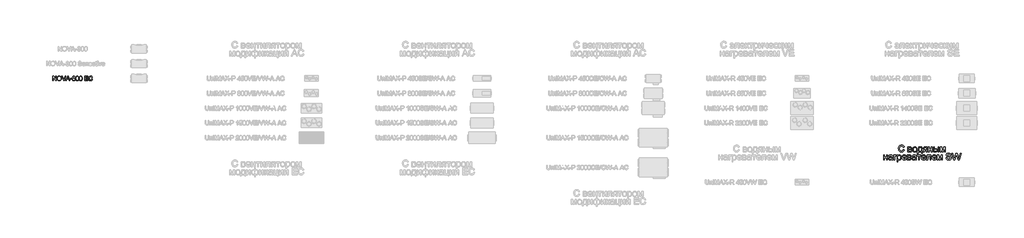
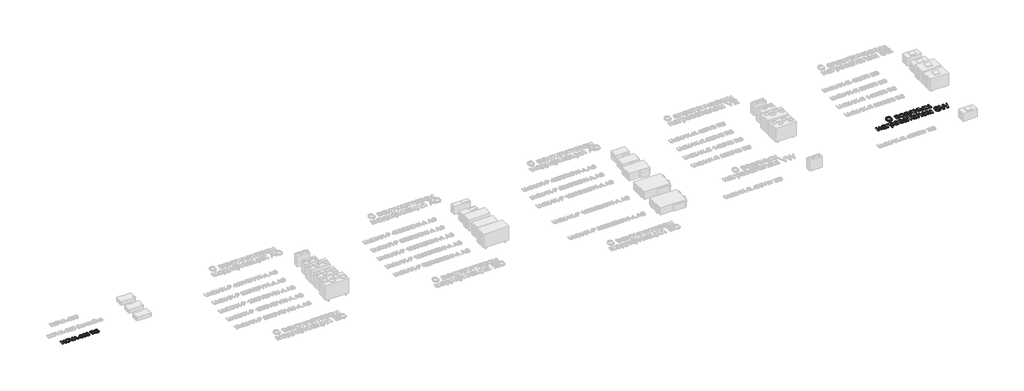
# One storey, part 15 of 74: 2 proxies.
"""IFC4 building model written with IfcOpenShell, lengths in millimetres."""

from ifc_helpers import new_model, si_unit, origin, origin_with_axes, place, context, project, spatial, polyline, outline, extrude, element, save

model = new_model("IFC4")

# Units and contexts
model_context = context("Model", 3, world=origin())
ifc_project = project(units=[si_unit("LENGTHUNIT", "METRE", prefix="MILLI")], contexts=[model_context])

# Site, building, storey
site = spatial("IfcSite", under=ifc_project)
building = spatial("IfcBuilding", under=site)
storey = spatial("IfcBuildingStorey", under=building, Elevation=0.0)

# Proxies
placement = place(None, origin())
element("IfcBuildingElementProxy", 1, Name="Generic Models", at=placement, inside=storey, context=model_context, shape_type="SweptSolid", body=[
    extrude(outline(polyline([(1084.8107049, -28033.3217608), (1084.8107049, -27731.9528304), (1125.1305716, -27731.9528304), (1282.5840655, -27970.7082452), (1282.5840655, -27731.9528304), (1320.2551818, -27731.9528304), (1320.2551818, -28033.3217608), (1279.9353151, -28033.3217608), (1122.4818212, -27794.4927695), (1122.4818212, -28033.3217608), (1084.8107049, -28033.3217608)])), origin_with_axes(), (0.0, 0.0, 1.0), 50.0),
    extrude(outline(polyline([(1372.0529667, -27886.6104211), (1374.5637613, -27851.2615599), (1382.0961452, -27819.9685977), (1394.6501183, -27792.7315345), (1412.2256806, -27769.5503703), (1433.7697699, -27751.0413074), (1458.2293241, -27737.8205482), (1485.6043431, -27729.8880927), (1515.8948268, -27727.2439408), (1555.4237472, -27732.2103477), (1590.8691775, -27747.1095686), (1620.2997371, -27770.8931395), (1641.7840456, -27802.512597), (1654.9174328, -27840.4412307), (1659.2952286, -27883.1523304), (1654.6875066, -27926.4336471), (1640.8643406, -27964.8957097), (1618.5890858, -27996.5703495), (1588.6250973, -28019.4893978), (1553.4831697, -28033.3953372), (1515.6740976, -28038.0306503), (1475.538172, -28032.9078936), (1439.8904066, -28017.5396232), (1410.5334234, -27993.3145938), (1389.2698441, -27961.6215599), (1376.3571861, -27925.1552572), (1372.0529667, -27886.6104211)]), holes=[polyline([(1409.724083, -27886.9783031), (1411.607179, -27911.9528921), (1417.2564669, -27934.1223808), (1426.6719467, -27953.4867693), (1439.8536184, -27970.0460576), (1455.8771786, -27983.3082036), (1473.8183236, -27992.7811649), (1493.6770536, -27998.4649418), (1515.4533684, -28000.359534), (1537.6021638, -27998.4465477), (1557.6954185, -27992.7075885), (1575.7331326, -27983.1426567), (1591.715306, -27969.751752), (1604.8004088, -27952.8429758), (1614.1469107, -27932.7244292), (1619.7548119, -27909.3961122), (1621.6241122, -27882.8580248), (1618.4235389, -27849.5095219), (1608.8218188, -27820.6859676), (1593.0672724, -27797.1139287), (1571.4082199, -27779.5199723), (1545.2794012, -27768.5662859), (1516.115556, -27764.9150571), (1495.0956985, -27766.6739929), (1475.5933543, -27771.9508003), (1457.6085232, -27780.7454792), (1441.1412054, -27793.0580298), (1427.3962144, -27809.4816616), (1417.5783636, -27830.6095844), (1411.6876532, -27856.4417983), (1409.724083, -27886.9783031)])]), origin_with_axes(), (0.0, 0.0, 1.0), 50.0),
    extrude(outline(polyline([(1800.1204563, -28033.3217608), (1680.1909259, -27731.9528304), (1720.5107926, -27731.9528304), (1800.7826439, -27949.0767839), (1817.0430281, -27998.0050893), (1833.0826831, -27949.0767839), (1913.5752636, -27731.9528304), (1953.8951303, -27731.9528304), (1839.0423714, -28033.3217608), (1800.1204563, -28033.3217608)])), origin_with_axes(), (0.0, 0.0, 1.0), 50.0),
    extrude(outline(polyline([(1953.8215539, -28033.3217608), (2074.1189663, -27731.9528304), (2106.1982763, -27731.9528304), (2226.4956887, -28033.3217608), (2186.6908568, -28033.3217608), (2152.1835257, -27939.14397), (2028.0601405, -27939.14397), (1993.6263858, -28033.3217608), (1953.8215539, -28033.3217608)]), holes=[polyline([(2041.8925035, -27901.4728537), (2138.4247391, -27901.4728537), (2111.2750478, -27827.3814199), (2090.1586213, -27769.6239467), (2071.3966396, -27820.9066968), (2041.8925035, -27901.4728537)])]), origin_with_axes(), (0.0, 0.0, 1.0), 50.0),
    extrude(outline(polyline([(2243.1975313, -27943.8528596), (2243.1975313, -27906.1817433), (2360.9197698, -27906.1817433), (2360.9197698, -27943.8528596), (2243.1975313, -27943.8528596)])), origin_with_axes(), (0.0, 0.0, 1.0), 50.0),
    extrude(outline(polyline([(2586.9464676, -27812.0039525), (2549.2753513, -27816.712842), (2543.2052984, -27798.0428308), (2535.0015299, -27785.2957197), (2517.9134112, -27773.5418899), (2497.2568372, -27769.6239467), (2479.7456542, -27771.904815), (2463.2645408, -27778.7474201), (2449.110281, -27793.1591973), (2437.5495893, -27812.9972339), (2429.741294, -27841.0574331), (2426.8442233, -27880.135698), (2441.9549762, -27862.5049534), (2460.0639675, -27850.079739), (2480.1595214, -27842.7129021), (2501.2299627, -27840.2572897), (2519.3297569, -27841.9357513), (2536.0315995, -27846.9711361), (2551.3354905, -27855.3634442), (2565.2414299, -27867.1126754), (2576.797523, -27881.519854), (2585.0518753, -27897.8860043), (2590.0044867, -27916.2111262), (2591.6553571, -27936.4952197), (2588.5467543, -27963.470167), (2579.2209457, -27988.4769456), (2564.4504836, -28009.6853426), (2545.0079201, -28025.2651451), (2521.7761721, -28034.839274), (2495.6381564, -28038.0306503), (2473.1812598, -28035.9153289), (2452.8994656, -28029.5693645), (2434.7927736, -28018.9927571), (2418.861184, -28004.1855068), (2405.8726503, -27984.5222141), (2396.5951262, -27959.3774798), (2391.0286118, -27928.7513037), (2389.173107, -27892.6436858), (2391.2332462, -27852.1628708), (2397.4136637, -27817.6141529), (2407.7143595, -27788.9975322), (2422.1353338, -27766.3130087), (2437.76572, -27751.2804307), (2455.8885068, -27740.5428749), (2476.5036941, -27734.1003415), (2499.6112819, -27731.9528304), (2532.6654792, -27737.2687252), (2559.1345888, -27753.2164097), (2577.6758413, -27778.545085), (2586.9464676, -27812.0039525)]), holes=[polyline([(2426.8442233, -27935.9066085), (2429.0239241, -27952.599254), (2435.5630266, -27968.5377415), (2445.7165696, -27982.2413458), (2458.7395923, -27992.2293419), (2474.4573505, -27998.326986), (2492.6951004, -28000.359534), (2517.5547263, -27996.1472852), (2537.0984572, -27983.5105387), (2549.7627949, -27963.6449109), (2553.9842408, -27937.7460185), (2549.8179772, -27912.8863926), (2537.3191864, -27893.9312728), (2517.4443617, -27881.9291227), (2491.149996, -27877.928406), (2466.3271584, -27881.9291227), (2445.5694168, -27893.9312728), (2431.5255217, -27912.4265401), (2426.8442233, -27935.9066085)])]), origin_with_axes(), (0.0, 0.0, 1.0), 50.0),
    extrude(outline(polyline([(2624.6175839, -27885.0653167), (2627.3858959, -27836.8267901), (2635.690832, -27798.3555305), (2649.4496186, -27769.0629266), (2668.5794823, -27748.3603673), (2693.2183789, -27736.0547146), (2723.5042642, -27731.9528304), (2746.7176181, -27734.3808515), (2767.5029508, -27741.664915), (2784.8853751, -27753.5199123), (2797.8900036, -27769.6607349), (2807.7124529, -27789.9494269), (2815.5483394, -27814.2480327), (2820.6802932, -27845.104135), (2822.3909445, -27885.0653167), (2819.6502236, -27933.0279319), (2811.428061, -27971.407221), (2797.7520479, -28000.727416), (2778.6497753, -28021.5127488), (2753.9556964, -28033.9011749), (2723.5042642, -28038.0306503), (2702.7557197, -28036.2372256), (2684.3616199, -28030.8569514), (2668.3219649, -28021.8898278), (2654.6367547, -28009.3358547), (2641.5033675, -27986.6421341), (2632.1223766, -27958.3658043), (2626.4937821, -27924.5068652), (2624.6175839, -27885.0653167)]), holes=[polyline([(2662.2887002, -27884.9917403), (2666.7032841, -27944.2483327), (2672.2215141, -27964.5163314), (2679.947036, -27978.5441317), (2699.6655109, -27994.9056835), (2723.5042642, -28000.359534), (2747.3430175, -27994.8872894), (2767.0614924, -27978.4705553), (2774.7870143, -27964.4197624), (2780.3052443, -27944.1563622), (2784.7198282, -27884.9917403), (2780.4523971, -27827.0687202), (2775.1181081, -27806.8674001), (2767.6501036, -27792.5062068), (2747.9684169, -27775.3445117), (2723.0628058, -27769.6239467), (2699.4815699, -27774.66393), (2680.5356472, -27789.78388), (2672.5526079, -27805.4188648), (2666.8504369, -27826.4985031), (2662.2887002, -27884.9917403)])]), origin_with_axes(), (0.0, 0.0, 1.0), 50.0),
    extrude(outline(polyline([(2855.3531713, -27885.0653167), (2858.1214833, -27836.8267901), (2866.4264193, -27798.3555305), (2880.1852059, -27769.0629266), (2899.3150697, -27748.3603673), (2923.9539663, -27736.0547146), (2954.2398516, -27731.9528304), (2977.4532055, -27734.3808515), (2998.2385382, -27741.664915), (3015.6209625, -27753.5199123), (3028.625591, -27769.6607349), (3038.4480403, -27789.9494269), (3046.2839268, -27814.2480327), (3051.4158806, -27845.104135), (3053.1265319, -27885.0653167), (3050.385811, -27933.0279319), (3042.1636484, -27971.407221), (3028.4876353, -28000.727416), (3009.3853627, -28021.5127488), (2984.6912837, -28033.9011749), (2954.2398516, -28038.0306503), (2933.491307, -28036.2372256), (2915.0972073, -28030.8569514), (2899.0575523, -28021.8898278), (2885.3723421, -28009.3358547), (2872.2389549, -27986.6421341), (2862.857964, -27958.3658043), (2857.2293694, -27924.5068652), (2855.3531713, -27885.0653167)]), holes=[polyline([(2893.0242876, -27884.9917403), (2897.4388715, -27944.2483327), (2902.9571014, -27964.5163314), (2910.6826233, -27978.5441317), (2930.4010983, -27994.9056835), (2954.2398516, -28000.359534), (2978.0786049, -27994.8872894), (2997.7970798, -27978.4705553), (3005.5226017, -27964.4197624), (3011.0408316, -27944.1563622), (3015.4554156, -27884.9917403), (3011.1879844, -27827.0687202), (3005.8536955, -27806.8674001), (2998.385691, -27792.5062068), (2978.7040043, -27775.3445117), (2953.7983932, -27769.6239467), (2930.2171573, -27774.66393), (2911.2712345, -27789.78388), (2903.2881952, -27805.4188648), (2897.5860243, -27826.4985031), (2893.0242876, -27884.9917403)])]), origin_with_axes(), (0.0, 0.0, 1.0), 50.0),
    extrude(outline(polyline([(3217.9376657, -28033.3217608), (3217.9376657, -27731.9528304), (3434.5465845, -27731.9528304), (3434.5465845, -27769.6239467), (3255.608782, -27769.6239467), (3255.608782, -27859.0928479), (3425.1288054, -27859.0928479), (3425.1288054, -27896.7639642), (3255.608782, -27896.7639642), (3255.608782, -27995.6506445), (3439.255474, -27995.6506445), (3439.255474, -28033.3217608), (3217.9376657, -28033.3217608)])), origin_with_axes(), (0.0, 0.0, 1.0), 50.0),
    extrude(outline(polyline([(3707.6621777, -27926.1945238), (3745.333294, -27935.9066085), (3737.8790851, -27959.3337938), (3727.9508697, -27979.8041276), (3715.548648, -27997.3176098), (3700.6724198, -28011.8742405), (3683.6578775, -28023.3176698), (3664.8407135, -28031.4915479), (3644.2209276, -28036.3958747), (3621.79852, -28038.0306503), (3578.103336, -28033.0826375), (3543.4028669, -28018.238599), (3516.8049986, -27994.0135696), (3497.4176175, -27960.9225842), (3485.5810143, -27922.0190632), (3481.6354799, -27880.3564272), (3486.0960491, -27836.4129229), (3499.4777566, -27798.4658951), (3521.0816268, -27767.7201573), (3550.2086838, -27745.3805232), (3584.7528031, -27731.7780864), (3622.6078604, -27727.2439408), (3663.9118114, -27733.1116586), (3681.8805476, -27740.4463059), (3698.0604576, -27750.7148121), (3712.184827, -27763.6458642), (3723.9869412, -27778.9681493), (3740.6244045, -27816.7864184), (3702.9532882, -27825.7627391), (3689.8934773, -27798.2911511), (3672.0512006, -27779.4463959), (3649.2057287, -27768.5478918), (3621.1363324, -27764.9150571), (3588.781111, -27768.943365), (3562.2016368, -27781.0282885), (3542.0325064, -27799.9006349), (3528.9083162, -27824.2912111), (3521.7070262, -27851.8639667), (3519.3065962, -27880.2828508), (3522.1484846, -27915.0844876), (3530.6741498, -27945.1772348), (3545.2054886, -27969.4114612), (3566.0643978, -27986.6375356), (3591.0711764, -27996.9290344), (3618.0461237, -28000.359534), (3649.4908372, -27995.6874327), (3675.6932323, -27981.6711287), (3695.4760866, -27958.4577748), (3707.6621777, -27926.1945238)])), origin_with_axes(), (0.0, 0.0, 1.0), 50.0),
])
element("IfcBuildingElementProxy", 2, Name="Generic Models", at=placement, inside=storey, context=model_context, shape_type="SweptSolid", body=[
    extrude(outline(polyline([(58317.6929066, -32678.9298031), (58373.8999244, -32693.4206749), (58362.7779059, -32728.3751002), (58347.9645573, -32758.9177687), (58329.4598787, -32785.0486803), (58307.2638701, -32806.7678349), (58281.8773996, -32823.8419516), (58253.8013355, -32836.0377492), (58223.0356778, -32843.3552278), (58189.5804264, -32845.7943874), (58155.3052607, -32843.9487223), (58124.3852258, -32838.4117273), (58096.8203217, -32829.1834022), (58072.6105485, -32816.2637471), (58051.4231374, -32799.8448758), (58032.92532, -32780.1189021), (58017.1170963, -32757.0858261), (58003.9984661, -32730.7456477), (57986.3377161, -32672.699826), (57980.4507995, -32610.5372794), (57982.1146425, -32576.6360495), (57987.1061715, -32544.9715735), (57995.4253864, -32515.5438514), (58007.0722874, -32488.3528832), (58021.7861485, -32463.848078), (58039.3062437, -32442.4788449), (58059.6325731, -32424.2451841), (58082.7651367, -32409.1470953), (58107.918326, -32397.3080805), (58134.3065329, -32388.8516414), (58161.9297573, -32383.7777779), (58190.7879991, -32382.0864901), (58222.9361903, -32384.2752155), (58252.4153715, -32390.8413918), (58279.2255426, -32401.7850189), (58303.3667038, -32417.1060969), (58324.4409049, -32436.3998145), (58342.0501958, -32459.2613603), (58356.1945766, -32485.6907344), (58366.8740472, -32515.6879368), (58310.6670294, -32529.0810153), (58291.181198, -32488.0921573), (58278.7624111, -32472.4245883), (58264.55971, -32459.9749259), (58248.4907603, -32450.4893056), (58230.4732275, -32443.7138624), (58188.5924125, -32438.2935079), (58163.3774722, -32439.7961125), (58140.3169513, -32444.3039263), (58119.4108498, -32451.8169494), (58100.6591677, -32462.3351816), (58084.2986167, -32475.3851996), (58070.5659084, -32490.4935802), (58059.4610429, -32507.6603232), (58050.9840201, -32526.8854286), (58040.239368, -32568.0252332), (58036.6578173, -32610.4275001), (58040.898044, -32662.353124), (58053.6187241, -32707.2528707), (58063.2793053, -32726.6392146), (58075.3001421, -32743.4114381), (58089.6812346, -32757.5695413), (58106.4225826, -32769.1135241), (58143.733833, -32784.4689082), (58183.9816805, -32789.5873695), (58208.4178737, -32787.8446226), (58230.8986224, -32782.6163819), (58251.4239269, -32773.9026475), (58269.9937869, -32761.7034192), (58286.1690854, -32746.0735869), (58299.5107048, -32727.0680401), (58310.0186452, -32704.6867788), (58317.6929066, -32678.9298031)])), origin_with_axes(), (0.0, 0.0, 1.0), 50.0),
    extrude(outline(polyline([(58619.8056275, -32508.5522802), (58743.6367137, -32508.5522802), (58783.4454439, -32510.4322513), (58811.5352304, -32516.0721645), (58832.2011896, -32526.7207596), (58849.7384379, -32543.6267767), (58861.7181075, -32565.6512552), (58865.7113306, -32591.6552344), (58863.2961853, -32612.6093643), (58856.0507495, -32630.6817868), (58843.9475781, -32645.9548363), (58826.9592265, -32658.5108474), (58847.7624099, -32670.1886238), (58864.7233167, -32688.974612), (58876.003143, -32713.3867909), (58879.7630851, -32741.9431395), (58876.6412354, -32764.9487707), (58870.2397281, -32784.7845237), (58860.5585633, -32801.4503985), (58847.5977409, -32814.9463951), (58831.3366774, -32825.3685704), (58811.7547891, -32832.8129814), (58788.852076, -32837.2796279), (58762.6285381, -32838.7685101), (58619.8056275, -32838.7685101), (58619.8056275, -32508.5522802)]), holes=[polyline([(58676.0126454, -32635.0180704), (58731.5609873, -32635.0180704), (58777.3938583, -32632.1638078), (58799.6790626, -32620.7467573), (58807.0480002, -32611.3057348), (58809.5043128, -32600.1082429), (58805.195474, -32583.33945), (58792.2689577, -32572.5536306), (58768.9134049, -32566.7078812), (58733.3174566, -32564.7592981), (58676.0126454, -32564.7592981), (58676.0126454, -32635.0180704)]), polyline([(58676.0126454, -32782.5614923), (58744.9540657, -32782.5614923), (58782.526042, -32780.0228452), (58806.1011535, -32772.4069041), (58818.7532215, -32758.5609859), (58823.5560673, -32737.3324076), (58821.1546444, -32723.2669307), (58813.9503757, -32710.2718023), (58802.8901081, -32700.1034917), (58788.9206881, -32694.5184682), (58739.4650991, -32691.2250883), (58676.0126454, -32691.2250883), (58676.0126454, -32782.5614923)])]), origin_with_axes(), (0.0, 0.0, 1.0), 50.0),
    extrude(outline(polyline([(58935.970103, -32673.6603952), (58939.0096182, -32630.8944843), (58948.128164, -32594.0429348), (58963.3257402, -32563.1057469), (58984.6023469, -32538.0829205), (59006.023039, -32522.0894441), (59029.6667626, -32510.6655324), (59055.5335176, -32503.8111853), (59083.6233042, -32501.526403), (59114.6325348, -32504.3086229), (59142.6708622, -32512.6552828), (59167.7382865, -32526.5663825), (59189.8348076, -32546.041922), (59207.8694935, -32570.4232255), (59220.7514119, -32599.0516168), (59228.480563, -32631.9270961), (59231.0569467, -32669.0496632), (59226.5011044, -32725.8330226), (59220.8063016, -32749.140547), (59212.8335776, -32769.0586345), (59190.4523164, -32801.4298149), (59159.7552707, -32825.64988), (59123.2948102, -32840.7582605), (59083.6233042, -32845.7943874), (59052.1612338, -32843.0224592), (59023.8621804, -32834.7066748), (58998.7261441, -32820.8470342), (58976.7531247, -32801.4435373), (58958.9105527, -32776.8255222), (58946.1658584, -32747.3223268), (58938.5190418, -32712.9339511), (58935.970103, -32673.6603952)]), holes=[polyline([(58992.1771208, -32673.5506158), (58993.8032272, -32700.8136268), (58998.6815462, -32724.4196137), (59006.812078, -32744.3685766), (59018.1948224, -32760.6605156), (59032.0407407, -32773.3160142), (59047.5607937, -32782.355656), (59064.7549815, -32787.7794411), (59083.6233042, -32789.5873695), (59102.3955699, -32787.7691493), (59119.5211456, -32782.3144888), (59135.0000314, -32773.2233879), (59148.8322272, -32760.4958466), (59160.2149717, -32744.0426692), (59168.3455034, -32723.7746601), (59173.2238225, -32699.6918192), (59174.8499288, -32671.7941465), (59173.2135307, -32645.3956479), (59168.3043362, -32622.4071697), (59160.1223454, -32602.828712), (59148.6675582, -32586.6602748), (59134.7839034, -32574.0047762), (59119.3153094, -32564.9651343), (59102.2617763, -32559.5413492), (59083.6233042, -32557.7334209), (59064.7549815, -32559.534488), (59047.5607937, -32564.9376895), (59032.0407407, -32573.9430253), (59018.1948224, -32586.5504954), (59006.812078, -32602.7944059), (58998.6815462, -32622.7090628), (58993.8032272, -32646.2944661), (58992.1771208, -32673.5506158)])]), origin_with_axes(), (0.0, 0.0, 1.0), 50.0),
    extrude(outline(polyline([(59343.4709824, -32508.5522802), (59554.2472993, -32508.5522802), (59554.2472993, -32782.5614923), (59596.4025627, -32782.5614923), (59596.4025627, -32930.1049141), (59540.1955449, -32930.1049141), (59540.1955449, -32838.7685101), (59308.3415962, -32838.7685101), (59308.3415962, -32930.1049141), (59252.1345784, -32930.1049141), (59252.1345784, -32782.5614923), (59287.2639645, -32782.5614923), (59300.9898116, -32761.350067), (59312.8013816, -32736.4130057), (59330.6816902, -32675.3619748), (59340.9048905, -32599.4083997), (59343.4709824, -32508.5522802)]), holes=[polyline([(59392.652123, -32564.7592981), (59388.0413911, -32633.5772167), (59379.4786032, -32692.8168886), (59366.9637594, -32742.4783138), (59350.4968596, -32782.5614923), (59498.0402815, -32782.5614923), (59498.0402815, -32564.7592981), (59392.652123, -32564.7592981)])]), origin_with_axes(), (0.0, 0.0, 1.0), 50.0),
    extrude(outline(polyline([(59912.5670381, -32508.5522802), (59912.5670381, -32838.7685101), (59856.3600203, -32838.7685101), (59856.3600203, -32712.30272), (59825.7315867, -32712.30272), (59801.3056854, -32714.0866341), (59784.0154407, -32719.4383765), (59767.3564271, -32734.9995968), (59744.8242192, -32767.4119445), (59700.0342519, -32838.7685101), (59635.0448875, -32838.7685101), (59691.471464, -32748.5298994), (59716.3913723, -32716.1449966), (59728.110316, -32706.703974), (59739.3352527, -32701.7639041), (59718.6967383, -32697.2012006), (59700.9124865, -32689.9900708), (59685.9824974, -32680.1305145), (59673.9067709, -32667.6225319), (59657.9338782, -32637.872333), (59652.6095806, -32603.9505195), (59654.4278008, -32583.7099552), (59659.8824613, -32565.4728637), (59668.9735622, -32549.2392451), (59681.7011035, -32535.0090992), (59697.8729713, -32523.4342409), (59717.2970518, -32515.166485), (59739.973345, -32510.2058314), (59765.9018509, -32508.5522802), (59912.5670381, -32508.5522802)]), holes=[polyline([(59856.3600203, -32564.7592981), (59782.2589714, -32564.7592981), (59743.9871518, -32568.0115108), (59731.0572049, -32572.0767767), (59722.2645666, -32577.7681489), (59712.1785905, -32591.8885154), (59708.8165984, -32608.2319135), (59713.7703908, -32629.6526056), (59728.6317678, -32644.5139826), (59756.0903232, -32653.2002722), (59798.8356505, -32656.0957021), (59856.3600203, -32656.0957021), (59856.3600203, -32564.7592981)])]), origin_with_axes(), (0.0, 0.0, 1.0), 50.0),
    extrude(outline(polyline([(59996.8775649, -32508.5522802), (60053.0845828, -32508.5522802), (60053.0845828, -32635.0180704), (60200.6280046, -32635.0180704), (60200.6280046, -32508.5522802), (60256.8350225, -32508.5522802), (60256.8350225, -32838.7685101), (60200.6280046, -32838.7685101), (60200.6280046, -32691.2250883), (60053.0845828, -32691.2250883), (60053.0845828, -32838.7685101), (59996.8775649, -32838.7685101), (59996.8775649, -32508.5522802)])), origin_with_axes(), (0.0, 0.0, 1.0), 50.0),
    extrude(outline(polyline([(60341.1455493, -32508.5522802), (60397.3525671, -32508.5522802), (60397.3525671, -32627.9921932), (60466.8428841, -32627.9921932), (60498.8195451, -32629.7520931), (60526.905901, -32635.0317928), (60551.1019518, -32643.8312924), (60571.4076976, -32656.1505918), (60587.4732167, -32671.5642961), (60598.9485874, -32689.6470104), (60605.8338099, -32710.3987347), (60608.1288841, -32733.819469), (60606.2043152, -32754.7152787), (60600.4306084, -32774.0398716), (60590.8077639, -32791.7932479), (60577.3357815, -32807.9754076), (60559.6372949, -32821.4473899), (60537.3349375, -32831.0702345), (60510.4287094, -32836.8439412), (60478.9186106, -32838.7685101), (60341.1455493, -32838.7685101), (60341.1455493, -32508.5522802)]), holes=[polyline([(60397.3525671, -32782.5614923), (60455.0964956, -32782.5614923), (60499.8590181, -32779.6111727), (60529.6366619, -32770.7602141), (60546.3505651, -32755.6518336), (60551.9218662, -32733.9292483), (60547.7914189, -32715.5686551), (60535.4000768, -32699.3487588), (60524.6451329, -32692.7208317), (60508.9020906, -32687.986598), (60462.4517108, -32684.199211), (60397.3525671, -32684.199211), (60397.3525671, -32782.5614923)])]), origin_with_axes(), (0.0, 0.0, 1.0), 50.0),
    extrude(outline(polyline([(60650.2841475, -32508.5522802), (60706.4911653, -32508.5522802), (60706.4911653, -32838.7685101), (60650.2841475, -32838.7685101), (60650.2841475, -32508.5522802)])), origin_with_axes(), (0.0, 0.0, 1.0), 50.0),
    extrude(outline(polyline([(60790.8016921, -32508.5522802), (60887.5172833, -32508.5522802), (60962.0574496, -32772.9009111), (61042.4159204, -32508.5522802), (61135.0696764, -32508.5522802), (61135.0696764, -32838.7685101), (61078.8626586, -32838.7685101), (61078.8626586, -32572.8829686), (60998.0650704, -32838.7685101), (60924.2933595, -32838.7685101), (60847.0087099, -32560.1485662), (60847.0087099, -32838.7685101), (60790.8016921, -32838.7685101), (60790.8016921, -32508.5522802)])), origin_with_axes(), (0.0, 0.0, 1.0), 50.0),
    extrude(outline(polyline([(56975.7503554, -33048.9843634), (57031.9573732, -33048.9843634), (57031.9573732, -33175.4501536), (57179.5007951, -33175.4501536), (57179.5007951, -33048.9843634), (57235.7078129, -33048.9843634), (57235.7078129, -33379.2005933), (57179.5007951, -33379.2005933), (57179.5007951, -33231.6571714), (57031.9573732, -33231.6571714), (57031.9573732, -33379.2005933), (56975.7503554, -33379.2005933), (56975.7503554, -33048.9843634)])), origin_with_axes(), (0.0, 0.0, 1.0), 50.0),
    extrude(outline(polyline([(57530.7946567, -33337.0453299), (57503.9398876, -33360.0715447), (57476.2892184, -33375.138758), (57447.211418, -33383.4545424), (57416.075255, -33386.2264705), (57391.048998, -33384.5591969), (57369.1034234, -33379.5573761), (57350.2385314, -33371.2210081), (57334.4543218, -33359.5500929), (57321.9909371, -33345.285641), (57313.0885194, -33329.1686629), (57307.7470688, -33311.1991585), (57305.9665852, -33291.3771279), (57308.6561789, -33268.0764647), (57316.7249598, -33246.9164985), (57329.1711915, -33228.8029088), (57344.9931377, -33214.641375), (57363.587012, -33203.9378902), (57384.3490281, -33196.1984473), (57432.9812721, -33187.7454387), (57490.4507522, -33178.8533129), (57530.4653187, -33168.4242764), (57530.7946567, -33155.9094325), (57526.9249352, -33130.8248552), (57515.3157709, -33114.4128451), (57489.3529589, -33102.2273393), (57453.1806691, -33098.165504), (57419.6979729, -33100.8688201), (57396.3149753, -33108.9787682), (57380.3695273, -33123.9773694), (57369.1994803, -33147.3466447), (57312.9924625, -33140.3207674), (57322.7491006, -33109.5825545), (57337.3085845, -33085.4311016), (57358.0294333, -33066.960729), (57386.2701664, -33053.2657574), (57420.8094887, -33044.785304), (57460.426105, -33041.9584862), (57498.4234762, -33044.455966), (57528.5441804, -33051.9484054), (57551.2547796, -33063.2145093), (57567.0218361, -33077.0329827), (57577.4783175, -33094.1173912), (57584.2571912, -33115.1813005), (57587.0016745, -33164.3624411), (57587.0016745, -33234.2918754), (57589.8559371, -33331.940591), (57601.053429, -33379.2005933), (57544.8464111, -33379.2005933), (57535.8445059, -33359.6598722), (57530.7946567, -33337.0453299)]), holes=[polyline([(57530.7946567, -33224.6312942), (57493.0305665, -33233.9899822), (57440.1169286, -33241.8666493), (57391.759133, -33250.9783338), (57379.1756771, -33257.2083109), (57369.8581563, -33265.7985436), (57364.0947414, -33276.090356), (57362.1736031, -33287.425072), (57366.3589401, -33304.1389752), (57378.9149512, -33317.8339469), (57399.567188, -33326.9730762), (57428.0412021, -33330.0194527), (57458.2305184, -33326.6574606), (57484.906896, -33316.5714845), (57506.5334243, -33301.7101075), (57521.5731928, -33284.0219127), (57528.2422872, -33265.7985436), (57530.4653187, -33240.5492973), (57530.7946567, -33224.6312942)])]), origin_with_axes(), (0.0, 0.0, 1.0), 50.0),
    extrude(outline(polyline([(57664.2863241, -33048.9843634), (57846.9591321, -33048.9843634), (57846.9591321, -33105.1913813), (57720.4933419, -33105.1913813), (57720.4933419, -33379.2005933), (57664.2863241, -33379.2005933), (57664.2863241, -33048.9843634)])), origin_with_axes(), (0.0, 0.0, 1.0), 50.0),
    extrude(outline(polyline([(57889.1143955, -33505.6663835), (57889.1143955, -33048.9843634), (57945.3214133, -33048.9843634), (57945.3214133, -33104.093588), (57963.6545617, -33076.9094809), (57984.1832968, -33057.4922616), (58008.1151911, -33045.84193), (58036.6578173, -33041.9584862), (58074.6689109, -33047.3925631), (58107.9046036, -33063.6947939), (58134.9652089, -33089.8771645), (58154.4510403, -33124.951661), (58166.2248736, -33166.3659139), (58170.1494847, -33211.5675537), (58165.7171442, -33259.6371786), (58152.4201226, -33302.6295094), (58130.683815, -33338.3626819), (58100.9336161, -33364.6548318), (58066.2845145, -33380.8335609), (58029.8514988, -33386.2264705), (58004.0121886, -33382.617475), (57980.9448065, -33371.7904884), (57961.1982492, -33355.4470904), (57945.3214133, -33335.2888606), (57945.3214133, -33505.6663835), (57889.1143955, -33505.6663835)]), holes=[polyline([(57945.3214133, -33216.7271823), (57946.8411709, -33243.8152324), (57951.4004438, -33267.1158956), (57958.9992319, -33286.6291718), (57969.6375353, -33302.3550611), (57982.4439805, -33314.4582324), (57996.547194, -33323.1033548), (58011.9471759, -33328.2904282), (58028.6439261, -33330.0194527), (58045.5808186, -33328.2286773), (58061.2621101, -33322.8563513), (58075.6878004, -33313.9024745), (58088.8578896, -33301.3670471), (58099.8323921, -33285.0716775), (58107.6713225, -33264.8379745), (58112.3746808, -33240.6659378), (58113.9424669, -33212.5555677), (58112.4124174, -33185.7007987), (58107.8222691, -33162.4413028), (58100.1720219, -33142.77708), (58089.4616759, -33126.7081303), (58076.6243553, -33114.2207313), (58062.5931845, -33105.3011606), (58047.3681634, -33099.9494182), (58030.9492921, -33098.165504), (58014.5818798, -33100.0626281), (57999.181898, -33105.7540003), (57984.7493464, -33115.2396207), (57971.2842253, -33128.5194893), (57959.925495, -33145.4152145), (57951.8121163, -33165.7484051), (57946.9440891, -33189.5190611), (57945.3214133, -33216.7271823)])]), origin_with_axes(), (0.0, 0.0, 1.0), 50.0),
    extrude(outline(polyline([(58464.5776525, -33280.8383121), (58519.686877, -33287.8641893), (58511.2372991, -33309.9366962), (58499.8305404, -33329.3882215), (58485.4666009, -33346.2187653), (58468.1454807, -33360.4283276), (58448.0455712, -33371.7150151), (58425.3452638, -33379.7769348), (58400.0445584, -33384.6140866), (58372.1434551, -33386.2264705), (58337.2679337, -33383.4442506), (58306.1935216, -33375.0975908), (58278.9202189, -33361.1864911), (58255.4480255, -33341.7109515), (58236.5728416, -33317.2130075), (58223.0905675, -33288.2346945), (58215.001203, -33254.7760126), (58212.3047481, -33216.8369617), (58215.0286478, -33177.6114342), (58223.2003468, -33143.0378059), (58236.8198451, -33113.1160768), (58255.8871428, -33087.8462469), (58279.2975853, -33067.7703516), (58305.9465181, -33053.4304264), (58335.8339412, -33044.8264712), (58368.9598545, -33041.9584862), (58401.01885, -33044.81961), (58430.0108854, -33053.4029815), (58455.9359607, -33067.7086007), (58478.7940759, -33087.7364675), (58497.4531317, -33112.9514078), (58510.7810287, -33142.8182472), (58518.7777669, -33177.3369858), (58521.4433463, -33216.5076237), (58521.1140083, -33231.6571714), (58268.511766, -33231.6571714), (58271.7674093, -33254.0864612), (58278.2409592, -33273.7301003), (58287.9324159, -33290.588089), (58300.8417792, -33304.660427), (58316.2554835, -33315.7550008), (58333.4599631, -33323.6796963), (58352.4552181, -33328.4345136), (58373.2412484, -33330.0194527), (58403.1561163, -33327.0828556), (58428.350473, -33318.2730642), (58448.8243184, -33303.0411819), (58464.5776525, -33280.8383121)]), holes=[polyline([(58268.511766, -33175.4501536), (58465.2363284, -33175.4501536), (58457.6341097, -33145.7548443), (58442.7315654, -33124.5125437), (58427.4036262, -33112.9857138), (58409.9624349, -33104.7522639), (58390.4079915, -33099.812194), (58368.7402958, -33098.165504), (58330.852704, -33103.4211895), (58299.5244272, -33119.1882461), (58287.0679036, -33130.5881435), (58277.7469523, -33143.765094), (58271.561573, -33158.7190973), (58268.511766, -33175.4501536)])]), origin_with_axes(), (0.0, 0.0, 1.0), 50.0),
    extrude(outline(polyline([(58577.6503642, -33048.9843634), (58701.4814504, -33048.9843634), (58741.2901805, -33050.8643345), (58769.379967, -33056.5042476), (58790.0459262, -33067.1528428), (58807.5831745, -33084.0588599), (58819.5628441, -33106.0833383), (58823.5560673, -33132.0873175), (58821.140922, -33153.0414475), (58813.8954861, -33171.11387), (58801.7923147, -33186.3869195), (58784.8039632, -33198.9429306), (58805.6071465, -33210.620707), (58822.5680533, -33229.4066951), (58833.8478796, -33253.818874), (58837.6078217, -33282.3752227), (58834.485972, -33305.3808539), (58828.0844647, -33325.2166069), (58818.4032999, -33341.8824817), (58805.4424775, -33355.3784783), (58789.181414, -33365.8006536), (58769.5995257, -33373.2450646), (58746.6968126, -33377.7117111), (58720.4732748, -33379.2005933), (58577.6503642, -33379.2005933), (58577.6503642, -33048.9843634)]), holes=[polyline([(58633.857382, -33322.9935754), (58702.7988023, -33322.9935754), (58740.3707786, -33320.4549284), (58763.9458901, -33312.8389873), (58776.5979581, -33298.993069), (58781.4008039, -33277.7644908), (58778.999381, -33263.6990139), (58771.7951123, -33250.7038855), (58760.7348447, -33240.5355749), (58746.7654247, -33234.9505514), (58697.3098358, -33231.6571714), (58633.857382, -33231.6571714), (58633.857382, -33322.9935754)]), polyline([(58633.857382, -33175.4501536), (58689.4057239, -33175.4501536), (58735.2385949, -33172.595891), (58757.5237992, -33161.1788405), (58764.8927369, -33151.7378179), (58767.3490494, -33140.5403261), (58763.0402106, -33123.7715332), (58750.1136943, -33112.9857138), (58726.7581415, -33107.1399644), (58691.1621932, -33105.1913813), (58633.857382, -33105.1913813), (58633.857382, -33175.4501536)])]), origin_with_axes(), (0.0, 0.0, 1.0), 50.0),
    extrude(outline(polyline([(59118.642911, -33337.0453299), (59091.788142, -33360.0715447), (59064.1374728, -33375.138758), (59035.0596723, -33383.4545424), (59003.9235093, -33386.2264705), (58978.8972523, -33384.5591969), (58956.9516777, -33379.5573761), (58938.0867857, -33371.2210081), (58922.3025762, -33359.5500929), (58909.8391914, -33345.285641), (58900.9367737, -33329.1686629), (58895.5953231, -33311.1991585), (58893.8148396, -33291.3771279), (58896.5044332, -33268.0764647), (58904.5732141, -33246.9164985), (58917.0194458, -33228.8029088), (58932.841392, -33214.641375), (58951.4352663, -33203.9378902), (58972.1972824, -33196.1984473), (59020.8295264, -33187.7454387), (59078.2990066, -33178.8533129), (59118.313573, -33168.4242764), (59118.642911, -33155.9094325), (59114.7731895, -33130.8248552), (59103.1640252, -33114.4128451), (59077.2012132, -33102.2273393), (59041.0289234, -33098.165504), (59007.5462273, -33100.8688201), (58984.1632296, -33108.9787682), (58968.2177817, -33123.9773694), (58957.0477347, -33147.3466447), (58900.8407168, -33140.3207674), (58910.5973549, -33109.5825545), (58925.1568388, -33085.4311016), (58945.8776877, -33066.960729), (58974.1184207, -33053.2657574), (59008.657743, -33044.785304), (59048.2743593, -33041.9584862), (59086.2717305, -33044.455966), (59116.3924347, -33051.9484054), (59139.1030339, -33063.2145093), (59154.8700905, -33077.0329827), (59165.3265718, -33094.1173912), (59172.1054455, -33115.1813005), (59174.8499288, -33164.3624411), (59174.8499288, -33234.2918754), (59177.7041915, -33331.940591), (59188.9016833, -33379.2005933), (59132.6946654, -33379.2005933), (59123.6927602, -33359.6598722), (59118.642911, -33337.0453299)]), holes=[polyline([(59118.642911, -33224.6312942), (59080.8788209, -33233.9899822), (59027.965183, -33241.8666493), (58979.6073873, -33250.9783338), (58967.0239314, -33257.2083109), (58957.7064106, -33265.7985436), (58951.9429957, -33276.090356), (58950.0218574, -33287.425072), (58954.2071944, -33304.1389752), (58966.7632055, -33317.8339469), (58987.4154423, -33326.9730762), (59015.8894565, -33330.0194527), (59046.0787727, -33326.6574606), (59072.7551503, -33316.5714845), (59094.3816787, -33301.7101075), (59109.4214471, -33284.0219127), (59116.0905415, -33265.7985436), (59118.313573, -33240.5492973), (59118.642911, -33224.6312942)])]), origin_with_axes(), (0.0, 0.0, 1.0), 50.0),
    extrude(outline(polyline([(59224.0310695, -33048.9843634), (59491.0144043, -33048.9843634), (59491.0144043, -33105.1913813), (59385.6262458, -33105.1913813), (59385.6262458, -33379.2005933), (59329.4192279, -33379.2005933), (59329.4192279, -33105.1913813), (59224.0310695, -33105.1913813), (59224.0310695, -33048.9843634)])), origin_with_axes(), (0.0, 0.0, 1.0), 50.0),
    extrude(outline(polyline([(59771.3908175, -33280.8383121), (59826.5000421, -33287.8641893), (59818.0504641, -33309.9366962), (59806.6437054, -33329.3882215), (59792.279766, -33346.2187653), (59774.9586458, -33360.4283276), (59754.8587363, -33371.7150151), (59732.1584288, -33379.7769348), (59706.8577235, -33384.6140866), (59678.9566202, -33386.2264705), (59644.0810987, -33383.4442506), (59613.0066867, -33375.0975908), (59585.7333839, -33361.1864911), (59562.2611906, -33341.7109515), (59543.3860067, -33317.2130075), (59529.9037325, -33288.2346945), (59521.814368, -33254.7760126), (59519.1179132, -33216.8369617), (59521.8418128, -33177.6114342), (59530.0135119, -33143.0378059), (59543.6330102, -33113.1160768), (59562.7003079, -33087.8462469), (59586.1107504, -33067.7703516), (59612.7596832, -33053.4304264), (59642.6471062, -33044.8264712), (59675.7730196, -33041.9584862), (59707.832015, -33044.81961), (59736.8240504, -33053.4029815), (59762.7491258, -33067.7086007), (59785.607241, -33087.7364675), (59804.2662968, -33112.9514078), (59817.5941938, -33142.8182472), (59825.590932, -33177.3369858), (59828.2565114, -33216.5076237), (59827.9271734, -33231.6571714), (59575.324931, -33231.6571714), (59578.5805743, -33254.0864612), (59585.0541243, -33273.7301003), (59594.7455809, -33290.588089), (59607.6549442, -33304.660427), (59623.0686485, -33315.7550008), (59640.2731282, -33323.6796963), (59659.2683832, -33328.4345136), (59680.0544135, -33330.0194527), (59709.9692814, -33327.0828556), (59735.163638, -33318.2730642), (59755.6374834, -33303.0411819), (59771.3908175, -33280.8383121)]), holes=[polyline([(59575.324931, -33175.4501536), (59772.0494935, -33175.4501536), (59764.4472748, -33145.7548443), (59749.5447305, -33124.5125437), (59734.2167913, -33112.9857138), (59716.7756, -33104.7522639), (59697.2211565, -33099.812194), (59675.5534609, -33098.165504), (59637.665869, -33103.4211895), (59606.3375922, -33119.1882461), (59593.8810687, -33130.5881435), (59584.5601173, -33143.765094), (59578.3747381, -33158.7190973), (59575.324931, -33175.4501536)])]), origin_with_axes(), (0.0, 0.0, 1.0), 50.0),
    extrude(outline(polyline([(59912.5670381, -33048.9843634), (60165.4986185, -33048.9843634), (60165.4986185, -33378.8712553), (60109.2916006, -33378.8712553), (60109.2916006, -33105.1913813), (59968.774056, -33105.1913813), (59968.774056, -33262.7247223), (59964.9866691, -33335.3986399), (59957.8921797, -33351.8518173), (59944.1834857, -33366.0819632), (59923.3803023, -33375.9209358), (59895.0023451, -33379.2005933), (59849.3341431, -33376.3463307), (59849.3341431, -33322.9935754), (59874.47361, -33322.9935754), (59899.8875253, -33319.5355265), (59906.2410042, -33315.0620187), (59910.0421135, -33308.5575933), (59912.5670381, -33259.5411217), (59912.5670381, -33048.9843634)])), origin_with_axes(), (0.0, 0.0, 1.0), 50.0),
    extrude(outline(polyline([(60481.0044179, -33280.8383121), (60536.1136424, -33287.8641893), (60527.6640645, -33309.9366962), (60516.2573058, -33329.3882215), (60501.8933664, -33346.2187653), (60484.5722462, -33360.4283276), (60464.4723367, -33371.7150151), (60441.7720292, -33379.7769348), (60416.4713239, -33384.6140866), (60388.5702206, -33386.2264705), (60353.6946991, -33383.4442506), (60322.620287, -33375.0975908), (60295.3469843, -33361.1864911), (60271.8747909, -33341.7109515), (60252.9996071, -33317.2130075), (60239.5173329, -33288.2346945), (60231.4279684, -33254.7760126), (60228.7315136, -33216.8369617), (60231.4554132, -33177.6114342), (60239.6271122, -33143.0378059), (60253.2466106, -33113.1160768), (60272.3139083, -33087.8462469), (60295.7243508, -33067.7703516), (60322.3732835, -33053.4304264), (60352.2607066, -33044.8264712), (60385.38662, -33041.9584862), (60417.4456154, -33044.81961), (60446.4376508, -33053.4029815), (60472.3627261, -33067.7086007), (60495.2208414, -33087.7364675), (60513.8798972, -33112.9514078), (60527.2077942, -33142.8182472), (60535.2045323, -33177.3369858), (60537.8701117, -33216.5076237), (60537.5407738, -33231.6571714), (60284.9385314, -33231.6571714), (60288.1941747, -33254.0864612), (60294.6677247, -33273.7301003), (60304.3591813, -33290.588089), (60317.2685446, -33304.660427), (60332.6822489, -33315.7550008), (60349.8867286, -33323.6796963), (60368.8819836, -33328.4345136), (60389.6680139, -33330.0194527), (60419.5828818, -33327.0828556), (60444.7772384, -33318.2730642), (60465.2510838, -33303.0411819), (60481.0044179, -33280.8383121)]), holes=[polyline([(60284.9385314, -33175.4501536), (60481.6630939, -33175.4501536), (60474.0608752, -33145.7548443), (60459.1583309, -33124.5125437), (60443.8303917, -33112.9857138), (60426.3892004, -33104.7522639), (60406.8347569, -33099.812194), (60385.1670613, -33098.165504), (60347.2794694, -33103.4211895), (60315.9511926, -33119.1882461), (60303.4946691, -33130.5881435), (60294.1737177, -33143.765094), (60287.9883385, -33158.7190973), (60284.9385314, -33175.4501536)])]), origin_with_axes(), (0.0, 0.0, 1.0), 50.0),
    extrude(outline(polyline([(60594.0771296, -33048.9843634), (60690.7927209, -33048.9843634), (60765.3328871, -33313.3329943), (60845.691358, -33048.9843634), (60938.3451139, -33048.9843634), (60938.3451139, -33379.2005933), (60882.1380961, -33379.2005933), (60882.1380961, -33113.3150518), (60801.3405079, -33379.2005933), (60727.568797, -33379.2005933), (60650.2841475, -33100.5806493), (60650.2841475, -33379.2005933), (60594.0771296, -33379.2005933), (60594.0771296, -33048.9843634)])), origin_with_axes(), (0.0, 0.0, 1.0), 50.0),
    extrude(outline(polyline([(61184.250817, -33224.6312942), (61240.4578349, -33224.6312942), (61246.9073706, -33255.8223468), (61258.5714246, -33280.8932017), (61276.7673489, -33300.7907056), (61302.8124953, -33316.4617052), (61334.6485015, -33326.6300158), (61370.217005, -33330.0194527), (61401.5315594, -33327.4533608), (61428.9489475, -33319.7550852), (61451.1655398, -33307.5695793), (61466.8777066, -33291.5417969), (61476.2226722, -33273.1400364), (61479.3376608, -33253.8325964), (61477.00485, -33235.0191635), (61470.0064176, -33218.7581), (61455.7899941, -33204.8847369), (61431.8032101, -33193.2344053), (61349.9627183, -33171.772546), (61296.2394578, -33157.5698449), (61261.8648046, -33144.0532647), (61233.8847974, -33125.1437748), (61214.0559056, -33102.2273393), (61202.240905, -33075.7979652), (61198.3025715, -33046.3496595), (61203.1740294, -33013.4295823), (61217.7884029, -32982.7325367), (61241.7614645, -32956.7148351), (61274.7089864, -32937.83279), (61314.2569907, -32926.3471274), (61358.0314992, -32922.5185733), (61405.4561705, -32926.5255189), (61446.9527579, -32938.5463557), (61481.0392404, -32958.3340802), (61506.233597, -32985.641689), (61522.179045, -33018.7676024), (61528.5188014, -33056.0102406), (61472.3117835, -33056.0102406), (61468.5518414, -33038.0750423), (61461.9925264, -33022.4726548), (61452.6338383, -33009.2030781), (61440.4757773, -32998.2663122), (61425.2919235, -32989.7172467), (61406.855857, -32983.6107714), (61360.2270858, -32978.7255911), (61312.5005214, -32983.5558817), (61294.2565687, -32989.5937449), (61279.7588357, -32998.0467535), (61260.8219009, -33019.3713887), (61256.0876673, -33031.5363109), (61254.5095894, -33044.7029695), (61258.9830971, -33066.302053), (61272.4036204, -33083.6746322), (61304.1298473, -33099.2084077), (61364.1791418, -33115.0715211), (61426.1495745, -33130.1387344), (61463.6392163, -33143.2848094), (61495.6810588, -33163.6763203), (61518.0348752, -33188.8432321), (61531.1672278, -33218.5110965), (61535.5446786, -33252.4054651), (61530.5085518, -33287.0545667), (61515.4001713, -33319.6453058), (61490.8370458, -33347.6939251), (61457.4366841, -33368.7166671), (61417.2711711, -33381.8490197), (61372.4125917, -33386.2264705), (61317.3445344, -33381.5059593), (61272.0193928, -33367.3444255), (61252.8800524, -33356.7095527), (61235.9157151, -33343.6869795), (61221.1263807, -33328.2767058), (61208.5120494, -33310.4787316), (61190.9199115, -33270.0250479), (61184.250817, -33224.6312942)])), origin_with_axes(), (0.0, 0.0, 1.0), 50.0),
    extrude(outline(polyline([(61700.3234556, -33379.2005933), (61577.699942, -32929.5444505), (61635.6634292, -32929.5444505), (61706.8004361, -33225.0704115), (61728.7563025, -33316.2970362), (61752.2490795, -33235.6092274), (61841.3898969, -32929.5444505), (61924.9319683, -32929.5444505), (61989.701774, -33151.4084799), (62017.4485001, -33233.7429787), (62037.8949007, -33316.2970362), (62059.192091, -33227.7051155), (62130.987774, -32929.5444505), (62188.9512612, -32929.5444505), (62066.2179683, -33379.2005933), (62006.1686738, -33379.2005933), (61898.36537, -33032.297905), (61883.3256016, -32983.8852197), (61866.4195845, -33042.1780448), (61768.1670826, -33379.2005933), (61700.3234556, -33379.2005933)])), origin_with_axes(), (0.0, 0.0, 1.0), 50.0),
])

save(model, "model.ifc")
